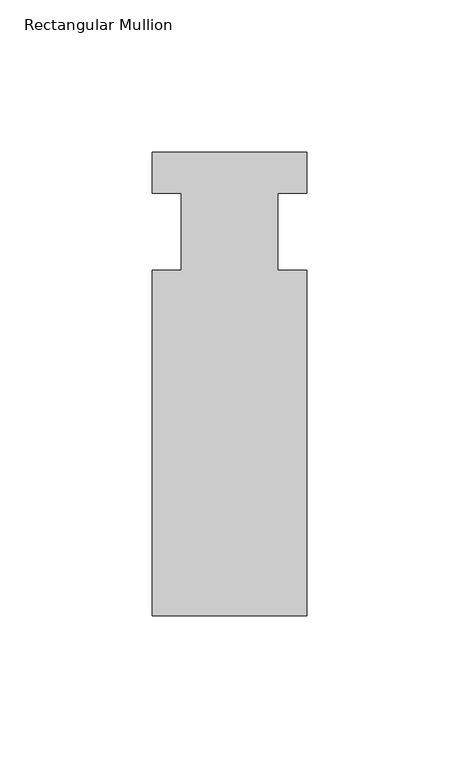
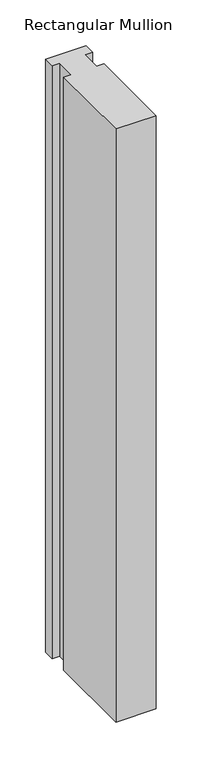
"""IFC4 building model written with IfcOpenShell, lengths in millimetres: member geometry, Rectangular Mullion."""

from ifc_helpers import new_model, si_unit, frame, origin, place, context, project, spatial, polyline, outline, extrude, source, transform, mapped, element, save


def rectangular_mullion_20de75a4(model_context):
    return source(origin(), model_context, "Body", "SweptSolid", [
        extrude(outline(polyline([(-25.4, 26.19375), (25.4, 26.19375), (25.4, 12.7), (15.875, 12.7), (15.875, -12.7), (25.4, -12.7), (25.4, -126.20625), (-25.4, -126.20625), (-25.4, -12.7), (-15.875, -12.7), (-15.875, 12.7), (-25.4, 12.7), (-25.4, 26.19375)])), frame((0.0, 0.0, -787.4), z_axis=(0.0, 0.0, 1.0), x_axis=(1.0, 0.0, 0.0)), (0.0, 0.0, 1.0), 787.4),
    ])


if __name__ == "__main__":
    model = new_model("IFC4")
    model_context = context("Model", 3, world=origin())
    ifc_project = project(units=[si_unit("LENGTHUNIT", "METRE", prefix="MILLI")], contexts=[model_context])
    site = spatial("IfcSite", under=ifc_project)
    building = spatial("IfcBuilding", under=site)
    placement = place(None, origin())
    rectangular_mullion_shape = rectangular_mullion_20de75a4(model_context)
    element("IfcMember", 1, ObjectType="Rectangular Mullion", at=placement, inside=building, context=model_context, shape_type="MappedRepresentation", body=[
        mapped(rectangular_mullion_shape, transform((0.0, 0.0, 0.0), x_axis=(1.0, 0.0, 0.0), y_axis=(0.0, 1.0, 0.0), z_axis=(0.0, 0.0, 1.0))),
    ])
    save(model, "model.ifc")
